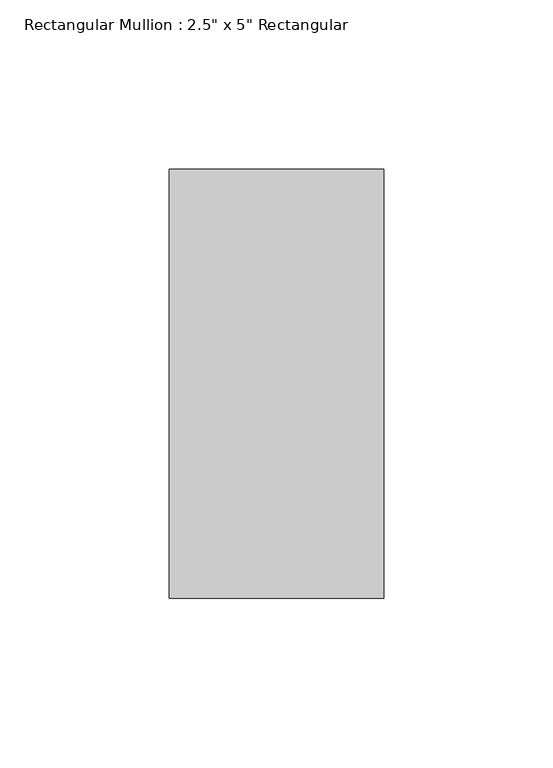
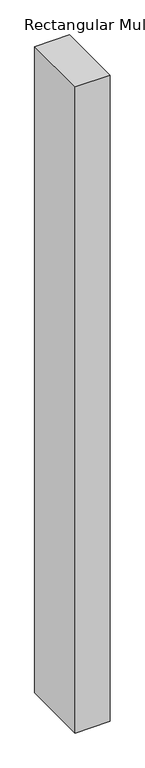
"""IFC4 building model written with IfcOpenShell, lengths in millimetres: member geometry."""

import ifcopenshell
import ifcopenshell.guid

model = None  # the IFC model being written
_history = None  # IfcOwnerHistory: only IFC2X3 demands one
_inside = {}  # id of a spatial element -> (the spatial element, [elements in it])
_under = {}  # id of a project, library or spatial element -> (it, [spatial elements below it])
_declared = {}  # id of a project -> (the project, [libraries it declares])
_typed = {}  # id of a type object -> (the type object, [elements of that type])
_made_of = {}  # id of a material, layer set ... -> (it, [elements and type objects made of it])


def new_model(schema):
    """Start an empty IFC model of exactly this schema.

    Asked for "IFC4X3", IfcOpenShell would pick the latest addendum, in which some entities
    have other attributes; the version numbers below select the first issue.
    IFC2X3 requires an IfcOwnerHistory on every rooted entity: one is made here for all.
    """
    global model, _history
    if schema == "IFC4X3":
        model = ifcopenshell.file(schema_version=(4, 3, 0, 0))
    else:
        model = ifcopenshell.file(schema=schema)
    _inside.clear()
    _under.clear()
    _declared.clear()
    _typed.clear()
    _made_of.clear()
    _history = None
    if model.schema == "IFC2X3":
        org = make("IfcOrganization", Name="unknown")
        user = make(
            "IfcPersonAndOrganization",
            ThePerson=make("IfcPerson", FamilyName="unknown"),
            TheOrganization=org,
        )
        app = make(
            "IfcApplication",
            ApplicationDeveloper=org,
            Version="unknown",
            ApplicationFullName="unknown",
            ApplicationIdentifier="unknown",
        )
        _history = make(
            "IfcOwnerHistory",
            OwningUser=user,
            OwningApplication=app,
            ChangeAction="ADDED",
            CreationDate=0,
        )
    return model


def make(cls, **values):
    """One entity of the class cls with the attributes given. An attribute that is None is left unset."""
    return model.create_entity(
        cls, **{name: value for name, value in values.items() if value is not None}
    )


def rooted(cls, **values):
    """An entity with a GlobalId (a new one), such as an element, a storey or a relation."""
    return make(cls, GlobalId=ifcopenshell.guid.new(), OwnerHistory=_history, **values)


def si_unit(unit_type, name, prefix=None):
    """IfcSIUnit, for example si_unit("LENGTHUNIT", "METRE", prefix="MILLI")."""
    return make("IfcSIUnit", UnitType=unit_type, Prefix=prefix, Name=name)


def assignment(units):
    """IfcUnitAssignment: the units of a project."""
    return None if units is None else make("IfcUnitAssignment", Units=units)


def point(xyz):
    """IfcCartesianPoint."""
    return None if xyz is None else make("IfcCartesianPoint", Coordinates=xyz)


def direction(xyz):
    """IfcDirection."""
    return None if xyz is None else make("IfcDirection", DirectionRatios=xyz)


def frame(location, z_axis=None, x_axis=None):
    """IfcAxis2Placement3D, a coordinate frame: its origin and axes. An axis left out is left unset."""
    return make(
        "IfcAxis2Placement3D",
        Location=point(location),
        Axis=direction(z_axis),
        RefDirection=direction(x_axis),
    )


def origin():
    """The frame at (0, 0, 0) with its axes left unset."""
    return frame((0.0, 0.0, 0.0))


def place(relative_to, where):
    """IfcLocalPlacement: puts the frame where relative to a parent placement (None: the world)."""
    return make(
        "IfcLocalPlacement", PlacementRelTo=relative_to, RelativePlacement=where
    )


def context(
    kind, dimensions, precision=None, world=None, true_north=None, identifier=None
):
    """IfcGeometricRepresentationContext, for example the 3D "Model" context."""
    return make(
        "IfcGeometricRepresentationContext",
        ContextIdentifier=identifier,
        ContextType=kind,
        CoordinateSpaceDimension=dimensions,
        Precision=precision,
        WorldCoordinateSystem=world,
        TrueNorth=true_north,
    )


def project(units=None, contexts=None):
    """IfcProject with its units and contexts."""
    return rooted(
        "IfcProject",
        Name="project",
        RepresentationContexts=contexts,
        UnitsInContext=assignment(units),
    )


def spatial(cls, under=None, at=None, **own):
    """A site, building, storey or space (cls), placed at a placement, below another one or the project."""
    s = rooted(cls, ObjectPlacement=at, **own)
    if under is not None:
        _under.setdefault(under.id(), (under, []))[1].append(s)
    return s


def polyline(points):
    """IfcPolyline through the points."""
    return make("IfcPolyline", Points=[point(p) for p in points])


def outline(outer, holes=None, kind="AREA"):
    """IfcArbitraryClosedProfileDef: a profile drawn as a closed curve; with holes, ...WithVoids."""
    if holes is None:
        return make("IfcArbitraryClosedProfileDef", ProfileType=kind, OuterCurve=outer)
    return make(
        "IfcArbitraryProfileDefWithVoids",
        ProfileType=kind,
        OuterCurve=outer,
        InnerCurves=holes,
    )


def extrude(swept, where, along, depth):
    """IfcExtrudedAreaSolid: the profile swept, set in the frame where, extruded along a direction by depth."""
    return make(
        "IfcExtrudedAreaSolid",
        SweptArea=swept,
        Position=where,
        ExtrudedDirection=direction(along),
        Depth=depth,
    )


def shape(context_of_items, identifier, shape_type, items):
    """IfcShapeRepresentation: the items that make up one representation, for example the "Body"."""
    return make(
        "IfcShapeRepresentation",
        ContextOfItems=context_of_items,
        RepresentationIdentifier=identifier,
        RepresentationType=shape_type,
        Items=items,
    )


def source(mapping_origin, context_of_items, identifier, shape_type, items):
    """IfcRepresentationMap: a shape defined once, which mapped items show again and again."""
    return make(
        "IfcRepresentationMap",
        MappingOrigin=mapping_origin,
        MappedRepresentation=shape(context_of_items, identifier, shape_type, items),
    )


def transform(
    local_origin,
    x_axis=None,
    y_axis=None,
    z_axis=None,
    scale=None,
    scale2=None,
    scale3=None,
    uniform=True,
):
    """IfcCartesianTransformationOperator3D, or its non-uniform kind. x_axis, y_axis, z_axis: its Axis1, 2, 3."""
    if uniform:
        return make(
            "IfcCartesianTransformationOperator3D",
            Axis1=direction(x_axis),
            Axis2=direction(y_axis),
            LocalOrigin=point(local_origin),
            Scale=scale,
            Axis3=direction(z_axis),
        )
    return make(
        "IfcCartesianTransformationOperator3DnonUniform",
        Axis1=direction(x_axis),
        Axis2=direction(y_axis),
        LocalOrigin=point(local_origin),
        Scale=scale,
        Axis3=direction(z_axis),
        Scale2=scale2,
        Scale3=scale3,
    )


def mapped(mapping_source, mapping_target):
    """IfcMappedItem: shows the shape of a source again, moved by a transform."""
    return make(
        "IfcMappedItem", MappingSource=mapping_source, MappingTarget=mapping_target
    )


def made_of(thing, what):
    """Note that an element or type object is made of a material, layer set ...; save() writes the relation."""
    if what is not None:
        _made_of.setdefault(what.id(), (what, []))[1].append(thing)
    return thing


def element(
    cls,
    number,
    at=None,
    inside=None,
    cuts=None,
    type_object=None,
    material=None,
    context=None,
    identifier="Body",
    shape_type=None,
    held_by="IfcProductDefinitionShape",
    body=None,
    shapes=None,
    **own,
):
    """One element of the class cls, such as IfcWall. Its Tag is "e" and its number.

    at: its placement. inside: the storey or other place that contains it. cuts: it is an
    opening in that element (IfcRelVoidsElement). A single representation is given by context,
    identifier, shape_type and body (its items); several are given by shapes. held_by: the class
    of the entity that holds the representations. save() writes the other relations.
    """
    e = rooted(cls, Tag="e%d" % number, ObjectPlacement=at, **own)
    if body is not None:
        shapes = [shape(context, identifier, shape_type, body)]
    if shapes is not None:
        e.Representation = make(held_by, Representations=shapes)
    if inside is not None:
        _inside.setdefault(inside.id(), (inside, []))[1].append(e)
    if cuts is not None:
        rooted(
            "IfcRelVoidsElement", RelatingBuildingElement=cuts, RelatedOpeningElement=e
        )
    if type_object is not None:
        _typed.setdefault(type_object.id(), (type_object, []))[1].append(e)
    return made_of(e, material)


def aggregate(whole, parts):
    """IfcRelAggregates: a whole, such as a stair, and the parts it consists of."""
    return rooted("IfcRelAggregates", RelatingObject=whole, RelatedObjects=parts)


def save(model, path):
    """Write the relations noted so far, then the file.

    IfcRelAggregates (storeys below a building ...), IfcRelContainedInSpatialStructure (elements
    in a storey), IfcRelDefinesByType, IfcRelAssociatesMaterial and IfcRelDeclares: one each for
    every whole, place, type object, material and project.
    """
    for whole, parts in _under.values():
        aggregate(whole, parts)
    for where, things in _inside.values():
        rooted(
            "IfcRelContainedInSpatialStructure",
            RelatedElements=things,
            RelatingStructure=where,
        )
    for kind, things in _typed.values():
        rooted("IfcRelDefinesByType", RelatedObjects=things, RelatingType=kind)
    for what, things in _made_of.values():
        rooted("IfcRelAssociatesMaterial", RelatedObjects=things, RelatingMaterial=what)
    for by, libraries in _declared.values():
        rooted("IfcRelDeclares", RelatingContext=by, RelatedDefinitions=libraries)
    model.write(path)


def member_cea9e04a(model_context):
    return source(origin(), model_context, "Body", "SweptSolid", [
        extrude(outline(polyline([(0.0, 63.5), (0.0, -63.5), (-63.5, -63.5), (-63.5, 63.5), (0.0, 63.5)])), frame((0.0, 0.0, -1238.25), z_axis=(0.0, 0.0, 1.0), x_axis=(1.0, 0.0, 0.0)), (0.0, 0.0, 1.0), 1238.25),
    ])


if __name__ == "__main__":
    model = new_model("IFC4")
    model_context = context("Model", 3, world=origin())
    ifc_project = project(units=[si_unit("LENGTHUNIT", "METRE", prefix="MILLI")], contexts=[model_context])
    site = spatial("IfcSite", under=ifc_project)
    building = spatial("IfcBuilding", under=site)
    placement = place(None, origin())
    member_shape = member_cea9e04a(model_context)
    element("IfcMember", 1, ObjectType="Rectangular Mullion : 2.5\" x 5\" Rectangular", at=placement, inside=building, context=model_context, shape_type="MappedRepresentation", body=[
        mapped(member_shape, transform((0.0, 0.0, 0.0), x_axis=(1.0, 0.0, 0.0), y_axis=(0.0, 1.0, 0.0), z_axis=(0.0, 0.0, 1.0))),
    ])
    save(model, "model.ifc")
